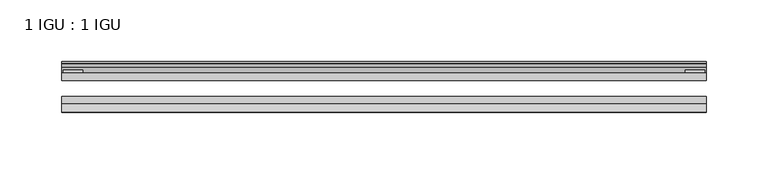
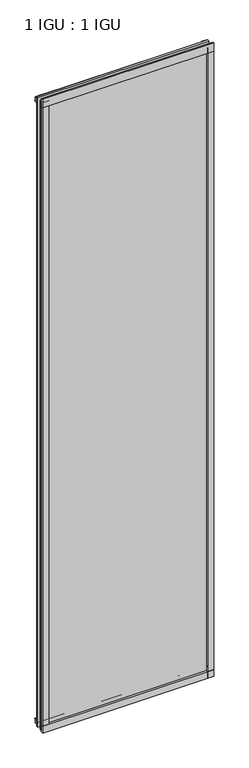
"""IFC4 building model written with IfcOpenShell, lengths in millimetres: plate geometry, 1 IGU : 1 IGU."""

from ifc_helpers import new_model, si_unit, point, frame, frame_2d, origin, place, context, project, spatial, polyline, circle_curve, trimmed, segment, composite_curve, outline, extrude, source, transform, mapped, element, save


def plate_1_igu_1_igu_44c43461(model_context):
    return source(origin(), model_context, "Body", "SweptSolid", [
        extrude(outline(polyline([(261.7568563, 0.0021347), (261.7568563, -6.2992), (-261.7568563, -6.2992), (-261.7568563, 0.0021347), (261.7568563, 0.0021347)])), frame((0.0, 0.0, -19.05), z_axis=(0.0, 0.0, 1.0), x_axis=(1.0, 0.0, 0.0)), (0.0, 0.0, 1.0), 2036.7580337),
        extrude(outline(polyline([(-261.7568563, -19.0986653), (261.7568563, -19.0986653), (261.7568563, -25.3978653), (-261.7568563, -25.3978653), (-261.7568563, -19.0986653)])), frame((0.0, 0.0, -19.05), z_axis=(0.0, 0.0, 1.0), x_axis=(1.0, 0.0, 0.0)), (0.0, 0.0, 1.0), 2036.7580337),
        extrude(outline(composite_curve([segment(polyline([(-31.75, 0.0), (-25.4, 0.0), (-25.4, -22.225)]), True, "CONTINUOUS"), segment(trimmed(circle_curve(frame_2d((-28.575, -28.9113452)), 7.4018806), [point((-25.4, -22.225))], [point((-31.75, -22.225))], True, "CARTESIAN"), True, "CONTINUOUS"), segment(polyline([(-31.75, -22.225), (-31.75, 0.0)]), True, "CONTINUOUS")], self_intersect=False)), frame((-261.7568563, 0.0, 0.0), z_axis=(1.0, 0.0, 0.0), x_axis=(0.0, 1.0, 0.0)), (0.0, 0.0, 1.0), 523.5137125),
        extrude(outline(composite_curve([segment(trimmed(circle_curve(frame_2d((13.6593785, 32.4202472)), 31.3046461), [point((0.0, 4.2528503))], [point((9.3980339, 1.406995))], True, "CARTESIAN"), True, "CONTINUOUS"), segment(polyline([(9.3980339, 1.406995), (9.3980339, 0.0254), (6.35, 0.0254), (6.35, -5.1625788), (7.7309478, -5.3970663), (6.35, -8.0073788), (6.35, -11.8471127)]), True, "CONTINUOUS"), segment(trimmed(circle_curve(frame_2d((5.334, -11.8471127)), 1.016), [point((6.35, -11.8471127))], [point((4.6284878, -12.5782136))], False, "CARTESIAN"), True, "CONTINUOUS"), segment(trimmed(circle_curve(frame_2d((-23.3689302, -41.5910901)), 40.3187601), [point((4.6284878, -12.5782136))], [point((0.0, -8.735413))], True, "CARTESIAN"), True, "CONTINUOUS"), segment(polyline([(0.0, -8.735413), (0.0, 4.2528503)]), True, "CONTINUOUS")], self_intersect=False)), frame((-261.7568563, 0.0, 0.0), z_axis=(1.0, 0.0, 0.0), x_axis=(0.0, 1.0, 0.0)), (0.0, 0.0, 1.0), 523.5137125),
        extrude(outline(composite_curve([segment(trimmed(circle_curve(frame_2d((-23.3689302, 2041.8747237)), 40.3187601), [point((0.0, 2009.0190467))], [point((4.9746073, 2013.1998864))], True, "CARTESIAN"), True, "CONTINUOUS"), segment(trimmed(circle_curve(frame_2d((5.8674, 2012.2966582)), 1.27), [point((4.9746073, 2013.1998864))], [point((7.1374, 2012.2966582))], False, "CARTESIAN"), True, "CONTINUOUS"), segment(polyline([(7.1374, 2012.2966582), (7.1374, 2007.8958505), (7.7309478, 2005.6806999), (6.35, 2005.4462125), (6.35, 2000.2582337), (9.3980339, 2000.2582337), (9.3980339, 1998.8766387)]), True, "CONTINUOUS"), segment(trimmed(circle_curve(frame_2d((13.6593785, 1967.8633864)), 31.3046461), [point((9.3980339, 1998.8766387))], [point((0.0, 1996.0307834))], True, "CARTESIAN"), True, "CONTINUOUS"), segment(polyline([(0.0, 1996.0307834), (0.0, 2009.0190467)]), True, "CONTINUOUS")], self_intersect=False)), frame((-261.7568563, 0.0, 0.0), z_axis=(1.0, 0.0, 0.0), x_axis=(0.0, 1.0, 0.0)), (0.0, 0.0, 1.0), 523.5137125),
        extrude(outline(composite_curve([segment(polyline([(-25.4, 2025.6582337), (-25.4, 2000.2582337), (-31.75, 2000.2582337), (-31.75, 2028.431131)]), True, "CONTINUOUS"), segment(trimmed(circle_curve(frame_2d((-24.1401272, 2037.2006452)), 11.6109665), [point((-31.75, 2028.431131))], [point((-25.4, 2025.6582337))], True, "CARTESIAN"), True, "CONTINUOUS")], self_intersect=False)), frame((-261.7568563, 0.0, 0.0), z_axis=(1.0, 0.0, 0.0), x_axis=(0.0, 1.0, 0.0)), (0.0, 0.0, 1.0), 523.5137125),
        extrude(outline(composite_curve([segment(polyline([(242.7068563, -25.4), (261.7568563, -25.4)]), True, "CONTINUOUS"), segment(trimmed(circle_curve(frame_2d((271.223007, -28.575)), 9.9844196), [point((261.7568563, -25.4))], [point((261.7568563, -31.75))], True, "CARTESIAN"), True, "CONTINUOUS"), segment(polyline([(261.7568563, -31.75), (242.7068563, -31.75), (242.7068563, -25.4)]), True, "CONTINUOUS")], self_intersect=False)), frame((0.0, 0.0, -19.05), z_axis=(0.0, 0.0, 1.0), x_axis=(1.0, 0.0, 0.0)), (0.0, 0.0, 1.0), 2036.7580337),
        extrude(outline(polyline([(260.5503563, 2.2860088), (260.5503563, 0.0021347), (244.6753563, 0.0021347), (244.6753563, 2.2860088), (260.5503563, 2.2860088)])), frame((0.0, 0.0, -19.05), z_axis=(0.0, 0.0, 1.0), x_axis=(1.0, 0.0, 0.0)), (0.0, 0.0, 1.0), 2036.7580337),
        extrude(outline(composite_curve([segment(trimmed(circle_curve(frame_2d((-271.223007, -28.575)), 9.9844196), [point((-261.7568563, -31.75))], [point((-261.7568563, -25.4))], True, "CARTESIAN"), True, "CONTINUOUS"), segment(polyline([(-261.7568563, -25.4), (-242.7068563, -25.4), (-242.7068563, -31.75), (-261.7568563, -31.75)]), True, "CONTINUOUS")], self_intersect=False)), frame((0.0, 0.0, -19.05), z_axis=(0.0, 0.0, 1.0), x_axis=(1.0, 0.0, 0.0)), (0.0, 0.0, 1.0), 2036.7580337),
        extrude(outline(polyline([(-260.5503563, 0.0), (-260.5503563, 2.286), (-244.6753563, 2.286), (-244.6753563, 0.0), (-260.5503563, 0.0)])), frame((0.0, 0.0, -19.05), z_axis=(0.0, 0.0, 1.0), x_axis=(1.0, 0.0, 0.0)), (0.0, 0.0, 1.0), 2036.7580337),
    ])


if __name__ == "__main__":
    model = new_model("IFC4")
    model_context = context("Model", 3, world=origin())
    ifc_project = project(units=[si_unit("LENGTHUNIT", "METRE", prefix="MILLI")], contexts=[model_context])
    site = spatial("IfcSite", under=ifc_project)
    building = spatial("IfcBuilding", under=site)
    placement = place(None, origin())
    plate_1_igu_1_igu_shape = plate_1_igu_1_igu_44c43461(model_context)
    element("IfcPlate", 1, ObjectType="1 IGU : 1 IGU", at=placement, inside=building, context=model_context, shape_type="MappedRepresentation", body=[
        mapped(plate_1_igu_1_igu_shape, transform((0.0, 0.0, 0.0), x_axis=(1.0, 0.0, 0.0), y_axis=(0.0, 1.0, 0.0), z_axis=(0.0, 0.0, 1.0))),
    ])
    save(model, "model.ifc")
